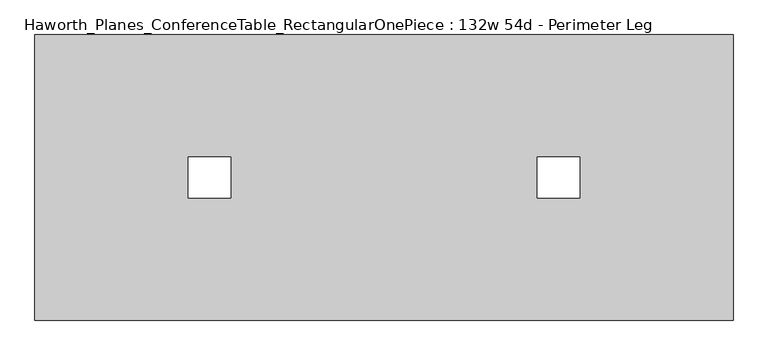
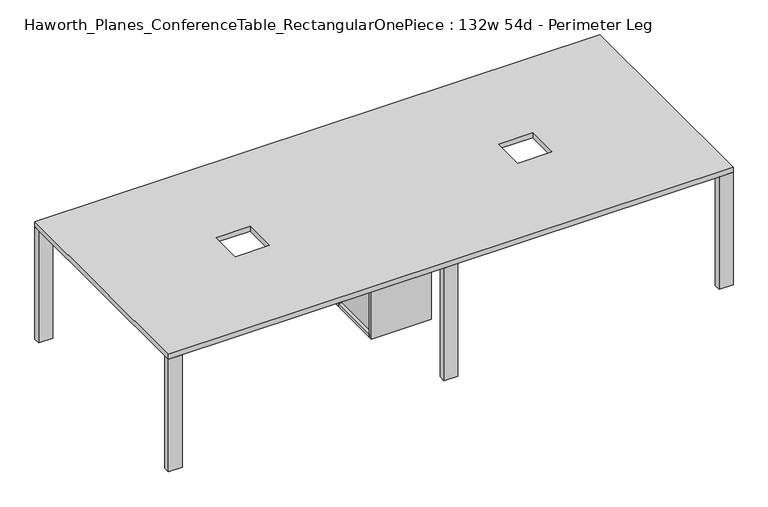
"""IFC4 building model written with IfcOpenShell, lengths in millimetres: furniture geometry, Haworth_Planes_ConferenceTable_RectangularOnePiece : 132w 54d - Perimeter Leg."""

from ifc_helpers import new_model, si_unit, frame, origin, origin_with_axes, place, context, project, spatial, polyline, outline, extrude, faceted_brep, source, transform, mapped, element, save


def haworth_planes_conferencetable_rectangularonepiece_132w_54d_7398752f(model_context):
    return source(origin(), model_context, "Body", "SolidModel", [
        faceted_brep([(-139.7, 154.7200592, 687.3875), (-158.75, 154.7200592, 687.3875), (-158.75, -162.7799408, 687.3875), (-139.7, -162.7799408, 687.3875), (139.7, 154.7200592, 687.3875), (139.7, -162.7799408, 687.3875), (158.75, -162.7799408, 687.3875), (158.75, 154.7200592, 687.3875), (-177.8, -162.7799408, 0.0), (-177.8, 154.7200592, 0.0), (177.8, 154.7200592, 0.0), (177.8, -162.7799408, 0.0), (101.6, 97.5700592, 0.0), (-101.6, 97.5700592, 0.0), (-101.6, -105.6299408, 0.0), (101.6, -105.6299408, 0.0), (177.8, 154.7200592, 19.05), (-177.8, 154.7200592, 19.05), (-158.75, 154.7200592, 19.05), (-139.7, 154.7200592, 19.05), (139.7, 154.7200592, 19.05), (158.75, 154.7200592, 19.05), (-158.75, -162.7799408, 19.05), (177.8, -162.7799408, 19.05), (158.75, -162.7799408, 19.05), (139.7, -162.7799408, 19.05), (-139.7, -162.7799408, 19.05), (-177.8, -162.7799408, 19.05), (101.6, 97.5700592, 19.05), (101.6, -105.6299408, 19.05), (-101.6, -105.6299408, 19.05), (-101.6, 97.5700592, 19.05)], [[[0, 1, 2, 3]], [[4, 5, 6, 7]], [[8, 9, 10, 11], [12, 13, 14, 15]], [[16, 10, 9, 17, 18, 1, 0, 19, 20, 4, 7, 21]], [[2, 1, 18, 22]], [[8, 11, 23, 24, 6, 5, 25, 26, 3, 2, 22, 27]], [[0, 3, 26, 19]], [[5, 4, 20, 25]], [[7, 6, 24, 21]], [[20, 19, 26, 25], [28, 29, 30, 31]], [[17, 27, 22, 18]], [[23, 16, 21, 24]], [[27, 17, 9, 8]], [[16, 23, 11, 10]], [[29, 28, 12, 15]], [[30, 29, 15, 14]], [[31, 30, 14, 13]], [[28, 31, 13, 12]]]),
        extrude(outline(polyline([(177.8, 173.7700592), (177.8, 154.7200592), (-177.8, 154.7200592), (-177.8, 173.7700592), (177.8, 173.7700592)])), origin_with_axes(), (0.0, 0.0, 1.0), 706.4375),
        extrude(outline(polyline([(177.8, -162.7799408), (177.8, -181.8299408), (-177.8, -181.8299408), (-177.8, -162.7799408), (177.8, -162.7799408)])), origin_with_axes(), (0.0, 0.0, 1.0), 706.4375),
        extrude(outline(polyline([(1676.4, 681.7700592), (1676.4, -689.8299408), (-1676.4, -689.8299408), (-1676.4, 681.7700592), (1676.4, 681.7700592)]), holes=[polyline([(-736.6, 93.6013092), (-939.8, 93.6013092), (-939.8, -101.6611908), (-736.6, -101.6611908), (-736.6, 93.6013092)]), polyline([(939.8, 93.6013092), (736.6, 93.6013092), (736.6, -101.6611908), (939.8, -101.6611908), (939.8, 93.6013092)])]), frame((0.0, 0.0, 706.4375), z_axis=(0.0, 0.0, 1.0), x_axis=(1.0, 0.0, 0.0)), (0.0, 0.0, 1.0), 30.1625),
        extrude(outline(polyline([(41.275, -651.7299408), (41.275, -689.8299408), (-41.275, -689.8299408), (-41.275, -651.7299408), (41.275, -651.7299408)])), origin_with_axes(), (0.0, 0.0, 1.0), 706.4375),
        extrude(outline(polyline([(-41.275, 681.7700592), (41.275, 681.7700592), (41.275, 643.6700592), (-41.275, 643.6700592), (-41.275, 681.7700592)])), origin_with_axes(), (0.0, 0.0, 1.0), 706.4375),
        extrude(outline(polyline([(1593.85, -651.7299408), (1676.4, -651.7299408), (1676.4, -689.8299408), (1593.85, -689.8299408), (1593.85, -651.7299408)])), origin_with_axes(), (0.0, 0.0, 1.0), 706.4375),
        extrude(outline(polyline([(1676.4, 681.7700592), (1676.4, 643.6700592), (1593.85, 643.6700592), (1593.85, 681.7700592), (1676.4, 681.7700592)])), origin_with_axes(), (0.0, 0.0, 1.0), 706.4375),
        extrude(outline(polyline([(-1593.85, -651.7299408), (-1593.85, -689.8299408), (-1676.4, -689.8299408), (-1676.4, -651.7299408), (-1593.85, -651.7299408)])), origin_with_axes(), (0.0, 0.0, 1.0), 706.4375),
        extrude(outline(polyline([(-1676.4, 681.7700592), (-1593.85, 681.7700592), (-1593.85, 643.6700592), (-1676.4, 643.6700592), (-1676.4, 681.7700592)])), origin_with_axes(), (0.0, 0.0, 1.0), 706.4375),
    ])


if __name__ == "__main__":
    model = new_model("IFC4")
    model_context = context("Model", 3, world=origin())
    ifc_project = project(units=[si_unit("LENGTHUNIT", "METRE", prefix="MILLI")], contexts=[model_context])
    site = spatial("IfcSite", under=ifc_project)
    building = spatial("IfcBuilding", under=site)
    placement = place(None, origin())
    haworth_planes_conferencetable_rectangularonepiece_132w_54d_shape = haworth_planes_conferencetable_rectangularonepiece_132w_54d_7398752f(model_context)
    element("IfcFurniture", 1, ObjectType="Haworth_Planes_ConferenceTable_RectangularOnePiece : 132w 54d - Perimeter Leg", at=placement, inside=building, context=model_context, shape_type="MappedRepresentation", body=[
        mapped(haworth_planes_conferencetable_rectangularonepiece_132w_54d_shape, transform((0.0, 0.0, 0.0), x_axis=(1.0, 0.0, 0.0), y_axis=(0.0, 1.0, 0.0), z_axis=(0.0, 0.0, 1.0))),
    ])
    save(model, "model.ifc")
